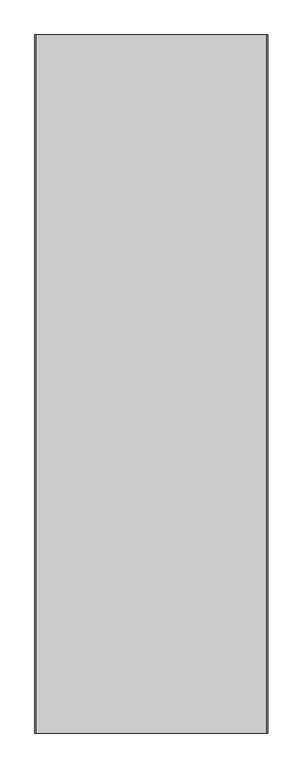
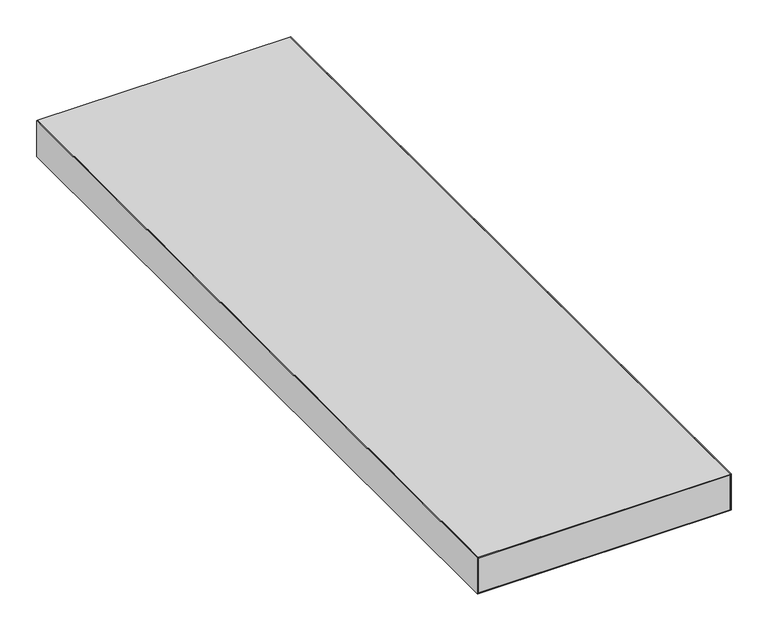
"""IFC4 building model written with IfcOpenShell, lengths in millimetres: proxy geometry."""

from ifc_helpers import new_model, si_unit, frame, origin, place, context, project, spatial, polyline, outline, extrude, source, transform, mapped, element, save


def specialty_equipment_d93d951a(model_context):
    return source(origin(), model_context, "Body", "SweptSolid", [
        extrude(outline(polyline([(198.0, 600.0), (198.0, -600.0), (-198.0, -600.0), (-198.0, 600.0), (198.0, 600.0)])), frame((0.0, 0.0, -1.0), z_axis=(0.0, 0.0, 1.0), x_axis=(1.0, 0.0, 0.0)), (0.0, 0.0, 1.0), 1.0),
        extrude(outline(polyline([(198.0, 600.0), (198.0, -600.0), (-198.0, -600.0), (-198.0, 600.0), (198.0, 600.0)])), frame((0.0, 0.0, -59.0), z_axis=(0.0, 0.0, 1.0), x_axis=(1.0, 0.0, 0.0)), (0.0, 0.0, 1.0), 58.0),
        extrude(outline(polyline([(198.0, 600.0), (198.0, -600.0), (-198.0, -600.0), (-198.0, 600.0), (198.0, 600.0)])), frame((0.0, 0.0, -60.0), z_axis=(0.0, 0.0, 1.0), x_axis=(1.0, 0.0, 0.0)), (0.0, 0.0, 1.0), 1.0),
        extrude(outline(polyline([(-198.0, 600.0), (-198.0, -600.0), (-200.0, -600.0), (-200.0, 600.0), (-198.0, 600.0)])), frame((0.0, 0.0, -60.0), z_axis=(0.0, 0.0, 1.0), x_axis=(1.0, 0.0, 0.0)), (0.0, 0.0, 1.0), 60.0),
        extrude(outline(polyline([(198.0, 600.0), (200.0, 600.0), (200.0, -600.0), (198.0, -600.0), (198.0, 600.0)])), frame((0.0, 0.0, -60.0), z_axis=(0.0, 0.0, 1.0), x_axis=(1.0, 0.0, 0.0)), (0.0, 0.0, 1.0), 60.0),
    ])


if __name__ == "__main__":
    model = new_model("IFC4")
    model_context = context("Model", 3, world=origin())
    ifc_project = project(units=[si_unit("LENGTHUNIT", "METRE", prefix="MILLI")], contexts=[model_context])
    site = spatial("IfcSite", under=ifc_project)
    building = spatial("IfcBuilding", under=site)
    placement = place(None, origin())
    specialty_equipment_shape = specialty_equipment_d93d951a(model_context)
    element("IfcBuildingElementProxy", 1, Name="Specialty Equipment", at=placement, inside=building, context=model_context, shape_type="MappedRepresentation", body=[
        mapped(specialty_equipment_shape, transform((0.0, 0.0, 0.0), x_axis=(1.0, 0.0, 0.0), y_axis=(0.0, 1.0, 0.0), z_axis=(0.0, 0.0, 1.0))),
    ])
    save(model, "model.ifc")
